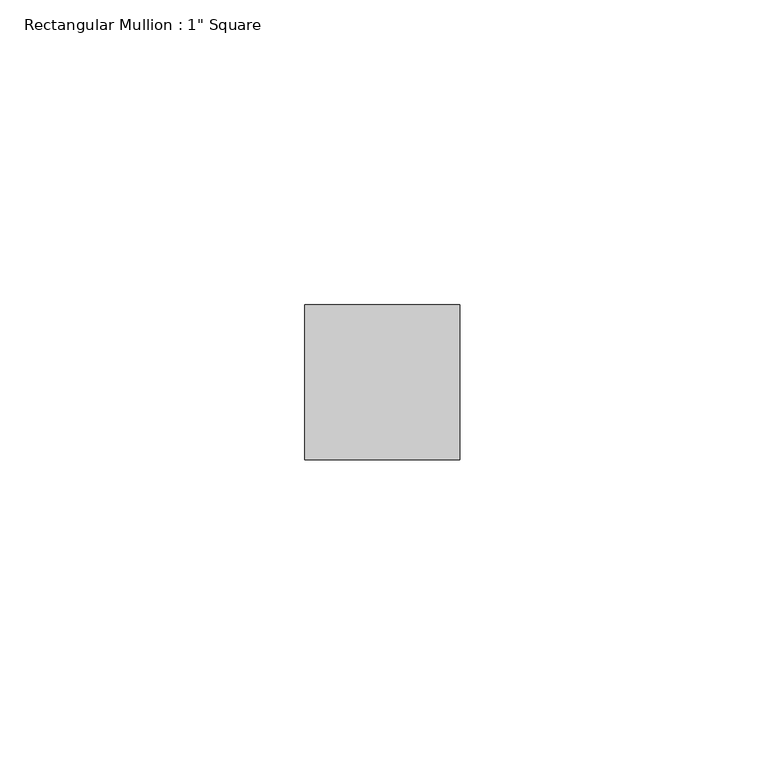
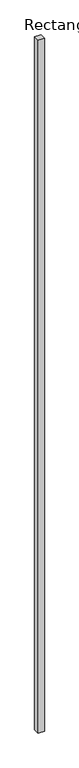
"""IFC4 building model written with IfcOpenShell, lengths in millimetres: member geometry."""

from ifc_helpers import new_model, si_unit, frame, origin, place, context, project, spatial, polyline, outline, extrude, source, transform, mapped, element, save


def member_7e523723(model_context):
    return source(origin(), model_context, "Body", "SweptSolid", [
        extrude(outline(polyline([(0.0, 12.7), (0.0, -12.7), (-25.4, -12.7), (-25.4, 12.7), (0.0, 12.7)])), frame((0.0, 0.0, -3048.0), z_axis=(0.0, 0.0, 1.0), x_axis=(1.0, 0.0, 0.0)), (0.0, 0.0, 1.0), 3048.0),
    ])


if __name__ == "__main__":
    model = new_model("IFC4")
    model_context = context("Model", 3, world=origin())
    ifc_project = project(units=[si_unit("LENGTHUNIT", "METRE", prefix="MILLI")], contexts=[model_context])
    site = spatial("IfcSite", under=ifc_project)
    building = spatial("IfcBuilding", under=site)
    placement = place(None, origin())
    member_shape = member_7e523723(model_context)
    element("IfcMember", 1, ObjectType="Rectangular Mullion : 1\" Square", at=placement, inside=building, context=model_context, shape_type="MappedRepresentation", body=[
        mapped(member_shape, transform((0.0, 0.0, 0.0), x_axis=(1.0, 0.0, 0.0), y_axis=(0.0, 1.0, 0.0), z_axis=(0.0, 0.0, 1.0))),
    ])
    save(model, "model.ifc")
